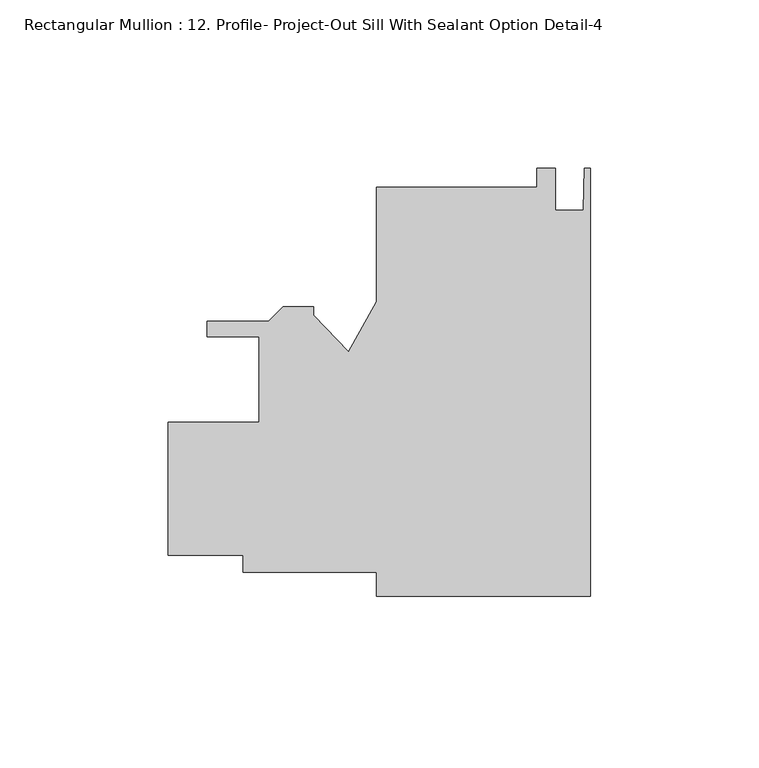
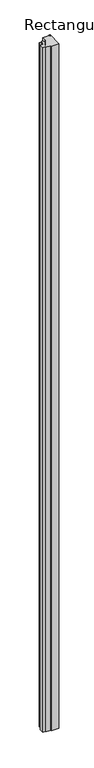
"""IFC4 building model written with IfcOpenShell, lengths in millimetres: member geometry, Rectangular Mullion : 12. Profile- Project-Out Sill With Sealant Option Detail-4."""

from ifc_helpers import new_model, si_unit, frame, origin, place, context, project, spatial, polyline, outline, extrude, source, transform, mapped, element, save


def rectangular_mullion_12_profile_project_out_sill_with_sealant_872c61d0(model_context):
    return source(origin(), model_context, "Body", "SweptSolid", [
        extrude(outline(polyline([(-0.0316655, 62.053928), (0.0, -64.946068), (-63.499998, -64.9619008), (-63.501776, -57.830851), (-103.1892635, -57.8407465), (-103.1905301, -52.7607673), (-125.4155294, -52.7663088), (-125.4253457, -13.3963101), (-98.4378466, -13.3895812), (-98.4441797, 12.010418), (-113.9453288, 12.006553), (-113.9465004, 16.705553), (-95.5639932, 16.7101364), (-91.2978573, 20.9784002), (-82.1975653, 20.9806692), (-82.196932, 18.4406695), (-71.8639431, 7.5964465), (-63.5218076, 22.5092994), (-63.5302766, 56.4754955), (-15.905278, 56.48737), (-15.906671, 62.0740383), (-10.3440712, 62.0754253), (-10.3409873, 49.7069572), (-2.0605875, 49.7090218), (-1.8096654, 62.0534847), (-0.0316655, 62.053928)])), frame((0.0, 0.0, -6000.75), z_axis=(0.0, 0.0, 1.0), x_axis=(1.0, 0.0, 0.0)), (0.0, 0.0, 1.0), 6000.75),
    ])


if __name__ == "__main__":
    model = new_model("IFC4")
    model_context = context("Model", 3, world=origin())
    ifc_project = project(units=[si_unit("LENGTHUNIT", "METRE", prefix="MILLI")], contexts=[model_context])
    site = spatial("IfcSite", under=ifc_project)
    building = spatial("IfcBuilding", under=site)
    placement = place(None, origin())
    rectangular_mullion_12_profile_project_out_sill_with_sealant_shape = rectangular_mullion_12_profile_project_out_sill_with_sealant_872c61d0(model_context)
    element("IfcMember", 1, ObjectType="Rectangular Mullion : 12. Profile- Project-Out Sill With Sealant Option Detail-4", at=placement, inside=building, context=model_context, shape_type="MappedRepresentation", body=[
        mapped(rectangular_mullion_12_profile_project_out_sill_with_sealant_shape, transform((0.0, 0.0, 0.0), x_axis=(1.0, 0.0, 0.0), y_axis=(0.0, 1.0, 0.0), z_axis=(0.0, 0.0, 1.0))),
    ])
    save(model, "model.ifc")
